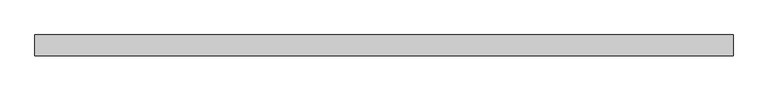
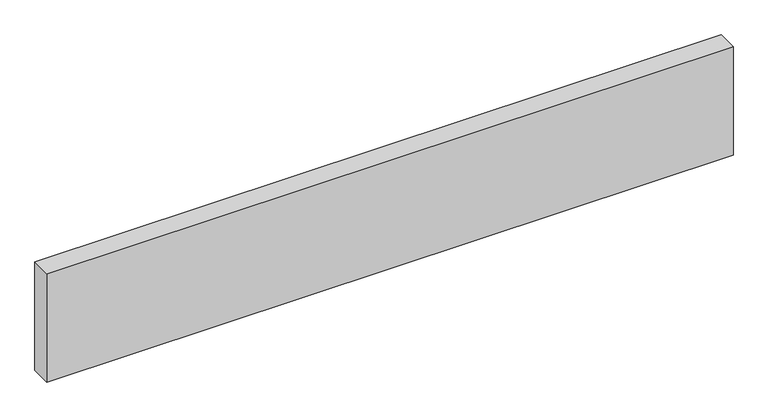
"""IFC4 building model written with IfcOpenShell, lengths in millimetres: beam geometry."""

from ifc_helpers import new_model, si_unit, frame, origin, place, context, project, spatial, polyline, outline, extrude, source, transform, mapped, element, save


def beam_27521163(model_context):
    return source(origin(), model_context, "Body", "SweptSolid", [
        extrude(outline(polyline([(598.0, -18.0), (-598.0, -18.0), (-598.0, 18.0), (598.0, 18.0), (598.0, -18.0)])), frame((0.0, 0.0, -100.0), z_axis=(0.0, 0.0, 1.0), x_axis=(1.0, 0.0, 0.0)), (0.0, 0.0, 1.0), 200.0),
    ])


if __name__ == "__main__":
    model = new_model("IFC4")
    model_context = context("Model", 3, world=origin())
    ifc_project = project(units=[si_unit("LENGTHUNIT", "METRE", prefix="MILLI")], contexts=[model_context])
    site = spatial("IfcSite", under=ifc_project)
    building = spatial("IfcBuilding", under=site)
    placement = place(None, origin())
    beam_shape = beam_27521163(model_context)
    element("IfcBeam", 1, at=placement, inside=building, context=model_context, shape_type="MappedRepresentation", body=[
        mapped(beam_shape, transform((0.0, 0.0, 0.0), x_axis=(1.0, 0.0, 0.0), y_axis=(0.0, 1.0, 0.0), z_axis=(0.0, 0.0, 1.0))),
    ])
    save(model, "model.ifc")
